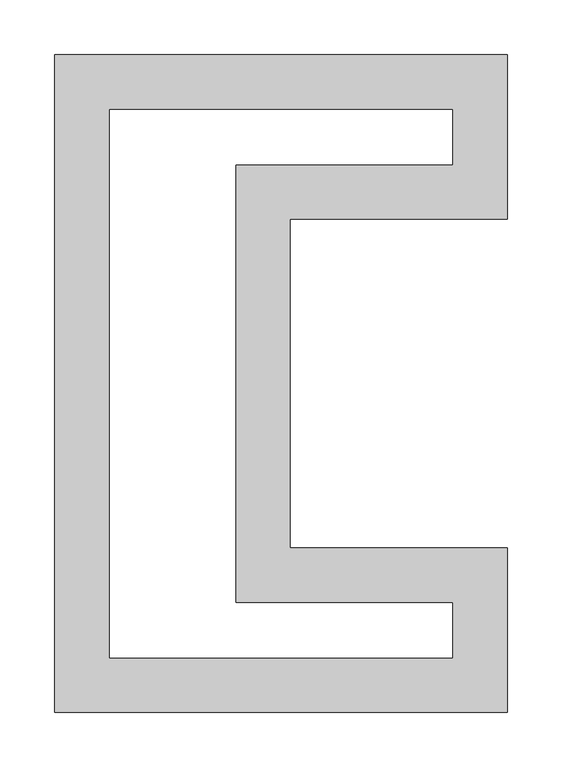
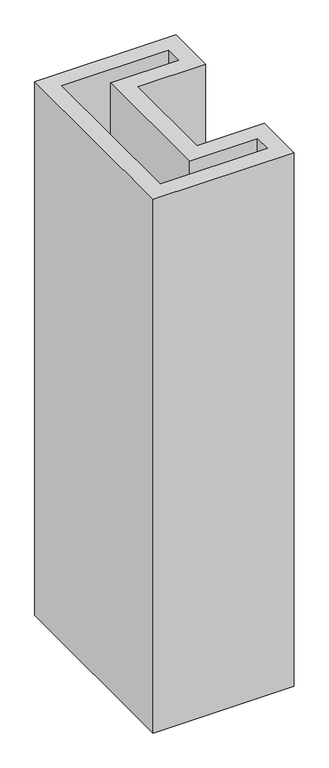
"""IFC4 building model written with IfcOpenShell, lengths in millimetres: proxy geometry."""

from ifc_helpers import new_model, si_unit, origin, origin_with_axes, place, context, project, spatial, polyline, outline, extrude, source, transform, mapped, element, save


def generic_models_c0247c35(model_context):
    return source(origin(), model_context, "Body", "SweptSolid", [
        extrude(outline(polyline([(-107.3916902, -300.0), (-107.3916902, 300.0), (305.3977166, 300.0), (305.3977166, 150.0), (107.3916902, 150.0), (107.3916902, -150.0), (305.3977166, -150.0), (305.3977166, -300.0), (-107.3916902, -300.0)]), holes=[polyline([(-57.3916902, -250.0), (255.3977166, -250.0), (255.3977166, -200.0), (57.3916902, -200.0), (57.3916902, 200.0), (255.3977166, 200.0), (255.3977166, 250.0), (-57.3916902, 250.0), (-57.3916902, -250.0)])]), origin_with_axes(), (0.0, 0.0, 1.0), 1650.624144),
    ])


if __name__ == "__main__":
    model = new_model("IFC4")
    model_context = context("Model", 3, world=origin())
    ifc_project = project(units=[si_unit("LENGTHUNIT", "METRE", prefix="MILLI")], contexts=[model_context])
    site = spatial("IfcSite", under=ifc_project)
    building = spatial("IfcBuilding", under=site)
    placement = place(None, origin())
    generic_models_shape = generic_models_c0247c35(model_context)
    element("IfcBuildingElementProxy", 1, Name="Generic Models", at=placement, inside=building, context=model_context, shape_type="MappedRepresentation", body=[
        mapped(generic_models_shape, transform((0.0, 0.0, 0.0), x_axis=(1.0, 0.0, 0.0), y_axis=(0.0, 1.0, 0.0), z_axis=(0.0, 0.0, 1.0))),
    ])
    save(model, "model.ifc")
